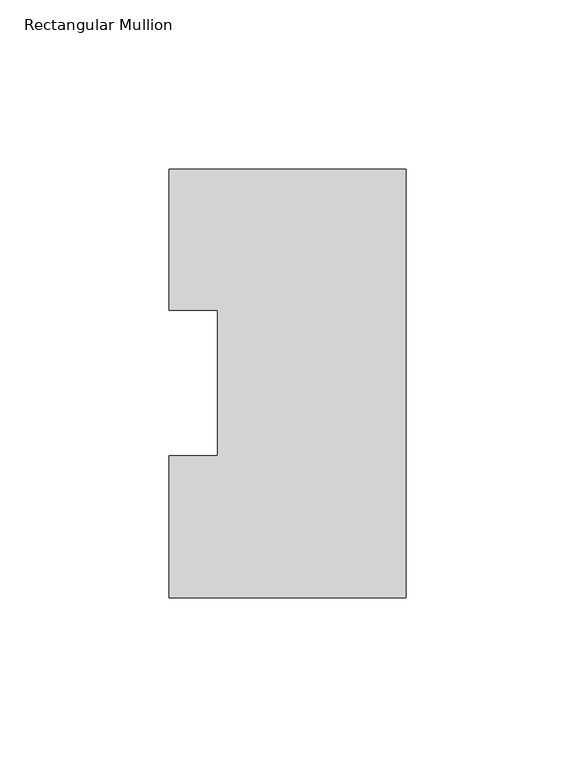
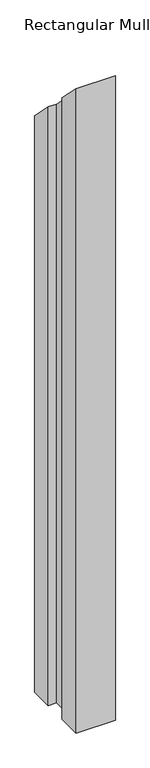
"""IFC4 building model written with IfcOpenShell, lengths in millimetres: member geometry, Rectangular Mullion."""

from ifc_helpers import new_model, si_unit, origin, place, context, project, spatial, faceted_brep, source, transform, mapped, element, save


def rectangular_mullion_3df8b186(model_context):
    return source(origin(), model_context, "Body", "Brep", [
        faceted_brep([(-69.85, 0.04445, -1206.29045), (-69.85, 42.08145, -1206.29045), (-55.5625, 42.08145, -1206.29045), (-55.5625, 84.93125, -1206.29045), (-69.85, 84.93125, -1206.29045), (-69.85, 126.53645, -1206.29045), (0.0, 126.53645, -1206.29045), (0.0, 0.04445, -1206.29045), (0.0, 0.04445, -0.04445), (-69.85, 0.04445, -0.04445), (0.0, 126.53645, -126.53645), (-69.85, 126.53645, -126.53645), (-69.85, 84.93125, -84.93125), (-55.5625, 84.93125, -84.93125), (-55.5625, 42.08145, -42.08145), (-69.85, 42.08145, -42.08145)], [[[0, 1, 2, 3, 4, 5, 6, 7]], [[8, 9, 0, 7]], [[10, 8, 7, 6]], [[11, 10, 6, 5]], [[12, 11, 5, 4]], [[13, 12, 4, 3]], [[14, 13, 3, 2]], [[15, 14, 2, 1]], [[9, 15, 1, 0]], [[9, 8, 10, 11, 12, 13, 14, 15]]]),
    ])


if __name__ == "__main__":
    model = new_model("IFC4")
    model_context = context("Model", 3, world=origin())
    ifc_project = project(units=[si_unit("LENGTHUNIT", "METRE", prefix="MILLI")], contexts=[model_context])
    site = spatial("IfcSite", under=ifc_project)
    building = spatial("IfcBuilding", under=site)
    placement = place(None, origin())
    rectangular_mullion_shape = rectangular_mullion_3df8b186(model_context)
    element("IfcMember", 1, ObjectType="Rectangular Mullion", at=placement, inside=building, context=model_context, shape_type="MappedRepresentation", body=[
        mapped(rectangular_mullion_shape, transform((0.0, 0.0, 0.0), x_axis=(1.0, 0.0, 0.0), y_axis=(0.0, 1.0, 0.0), z_axis=(0.0, 0.0, 1.0))),
    ])
    save(model, "model.ifc")
